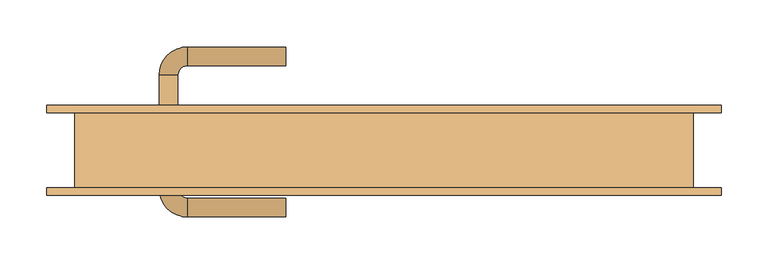
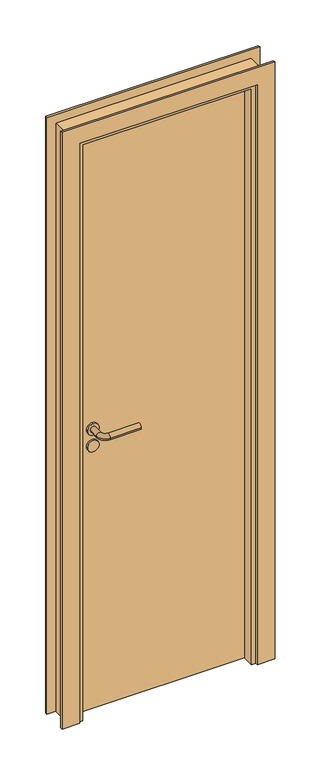
"""IFC4 building model written with IfcOpenShell, lengths in millimetres: door geometry."""

from ifc_helpers import new_model, si_unit, point, frame, frame_2d, origin, origin_with_axes, place, context, project, spatial, polyline, circle_curve, ellipse_curve, trimmed, segment, composite_curve, outline, extrude, faceted_brep, source, transform, mapped, element, save
from ifc_brep_helpers import plane_surface, cylinder_surface, revolved_surface, advanced_brep


def door_b85bc4cc(model_context):
    return source(origin(), model_context, "Body", "SolidModel", [
        advanced_brep(
        [(-250.0, 46.5831809, 1000.0), (-210.0, 46.5831809, 1000.0), (-240.0, 46.5831809, 1000.0), (-220.0, 46.5831809, 1000.0), (-250.0, 40.0, 1000.0), (-210.0, 40.0, 1000.0), (-105.0, 110.6350833, 1000.0), (-105.0, 90.6350833, 1000.0), (-240.0, 80.6350833, 1000.0), (-220.0, 80.6350833, 1000.0), (-210.0, 90.6350833, 1000.0), (-210.0, 110.6350833, 1000.0)],
        [
            (0, 1, circle_curve(frame((-230.0, 46.5831809, 1000.0), z_axis=(0.0, 1.0, 0.0), x_axis=(1.0, 0.0, 0.0)), 20.0)),
            (1, 0, circle_curve(frame((-230.0, 46.5831809, 1000.0), z_axis=(0.0, 1.0, 0.0), x_axis=(1.0, 0.0, 0.0)), 20.0)),
            (2, 3, circle_curve(frame((-230.0, 46.5831809, 1000.0), z_axis=(0.0, -1.0, 0.0), x_axis=(1.0, 0.0, 0.0)), 10.0)),
            (3, 2, circle_curve(frame((-230.0, 46.5831809, 1000.0), z_axis=(0.0, -1.0, 0.0), x_axis=(1.0, 0.0, 0.0)), 10.0)),
            (4, 5, circle_curve(frame((-230.0, 40.0, 1000.0), z_axis=(0.0, -1.0, 0.0), x_axis=(1.0, 0.0, 0.0)), 20.0)),
            (5, 4, circle_curve(frame((-230.0, 40.0, 1000.0), z_axis=(0.0, -1.0, 0.0), x_axis=(1.0, 0.0, 0.0)), 20.0)),
            (1, 5),
            (4, 0),
            (6, 7, circle_curve(frame((-105.0, 100.6350833, 1000.0), z_axis=(1.0, 0.0, 0.0), x_axis=(0.0, -1.0, 0.0)), 10.0)),
            (7, 6, circle_curve(frame((-105.0, 100.6350833, 1000.0), z_axis=(1.0, 0.0, 0.0), x_axis=(0.0, -1.0, 0.0)), 10.0)),
            (8, 2),
            (3, 9),
            (9, 8, circle_curve(frame((-230.0, 80.6350833, 1000.0), z_axis=(0.0, -1.0, 0.0), x_axis=(1.0, 0.0, 0.0)), 10.0)),
            (8, 9, circle_curve(frame((-230.0, 80.6350833, 1000.0), z_axis=(0.0, -1.0, 0.0), x_axis=(1.0, 0.0, 0.0)), 10.0)),
            (9, 10, circle_curve(frame((-210.0, 80.6350833, 1000.0), z_axis=(0.0, 0.0, -1.0), x_axis=(-1.0, 0.0, 0.0)), 10.0)),
            (10, 11, circle_curve(frame((-210.0, 100.6350833, 1000.0), z_axis=(-1.0, 0.0, 0.0), x_axis=(0.0, -1.0, 0.0)), 10.0)),
            (11, 8, circle_curve(frame((-210.0, 80.6350833, 1000.0), z_axis=(0.0, 0.0, 1.0), x_axis=(-1.0, 0.0, 0.0)), 30.0)),
            (11, 10, circle_curve(frame((-210.0, 100.6350833, 1000.0), z_axis=(-1.0, 0.0, 0.0), x_axis=(0.0, -1.0, 0.0)), 10.0)),
            (6, 11),
            (10, 7),
        ],
        [
            plane_surface(frame((-210.0, 46.5831809, 1000.0), z_axis=(0.0, 1.0, 0.0), x_axis=(0.0, 0.0, 1.0))),
            plane_surface(frame((-210.0, 40.0, 1000.0), z_axis=(0.0, -1.0, 0.0), x_axis=(0.0, 0.0, -1.0))),
            cylinder_surface(frame((-230.0, 40.0, 1000.0), z_axis=(0.0, 1.0, 0.0), x_axis=(1.0, 0.0, 0.0)), 20.0),
            plane_surface(frame((-105.0, 100.6350833, 1000.0), z_axis=(1.0, 0.0, 0.0), x_axis=(0.0, 0.0, -1.0))),
            cylinder_surface(frame((-230.0, 40.0, 1000.0), z_axis=(0.0, -1.0, 0.0), x_axis=(1.0, 0.0, 0.0)), 10.0),
            revolved_surface(trimmed(ellipse_curve(frame((-230.0, 80.6350833, 1000.0), z_axis=(0.0, 1.0, 0.0), x_axis=(1.0, 0.0, 0.0)), 10.0, 10.0), [point((-240.0, 80.6350833, 1000.0))], [point((-220.0, 80.6350833, 1000.0))], True, "CARTESIAN"), (-210.0, 80.6350833, 1000.0), (0.0, 0.0, 1.0)),
            revolved_surface(trimmed(ellipse_curve(frame((-230.0, 80.6350833, 1000.0), z_axis=(0.0, 1.0, 0.0), x_axis=(1.0, 0.0, 0.0)), 10.0, 10.0), [point((-220.0, 80.6350833, 1000.0))], [point((-240.0, 80.6350833, 1000.0))], True, "CARTESIAN"), (-210.0, 80.6350833, 1000.0), (0.0, 0.0, 1.0)),
            cylinder_surface(frame((-210.0, 100.6350833, 1000.0), z_axis=(-1.0, 0.0, 0.0), x_axis=(0.0, -1.0, 0.0)), 10.0),
        ],
        [
            (0, [[1, 2], [3, 4]]),
            (1, [[5, 6]]),
            (2, [[7, -5, 8, -2]]),
            (2, [[-8, -6, -7, -1]]),
            (3, [[9, 10]]),
            (4, [[11, -4, 12, 13]]),
            (4, [[-12, -3, -11, 14]]),
            (5, [[15, 16, 17, -13]]),
            (6, [[-17, 18, -15, -14]]),
            (7, [[19, -16, 20, -9]]),
            (7, [[-20, -18, -19, -10]]),
        ],
    ),
        extrude(outline(composite_curve([segment(trimmed(circle_curve(frame_2d((940.0, -230.0)), 20.0), [point((940.0, -250.0))], [point((940.0, -210.0))], False, "CARTESIAN"), True, "CONTINUOUS"), segment(trimmed(circle_curve(frame_2d((940.0, -230.0)), 20.0), [point((940.0, -210.0))], [point((940.0, -250.0))], False, "CARTESIAN"), True, "CONTINUOUS")], self_intersect=False)), frame((0.0, 40.0, 0.0), z_axis=(0.0, 1.0, 0.0), x_axis=(0.0, 0.0, 1.0)), (0.0, 0.0, 1.0), 6.5831809),
        advanced_brep(
        [(-250.0, -6.5831809, 1000.0), (-210.0, -6.5831809, 1000.0), (-240.0, -6.5831809, 1000.0), (-220.0, -6.5831809, 1000.0), (-250.0, 0.0, 1000.0), (-210.0, 0.0, 1000.0), (-105.0, -70.6350833, 1000.0), (-105.0, -50.6350833, 1000.0), (-240.0, -40.6350833, 1000.0), (-220.0, -40.6350833, 1000.0), (-210.0, -70.6350833, 1000.0), (-210.0, -50.6350833, 1000.0)],
        [
            (0, 1, circle_curve(frame((-230.0, -6.5831809, 1000.0), z_axis=(0.0, -1.0, 0.0), x_axis=(1.0, 0.0, 0.0)), 20.0)),
            (1, 0, circle_curve(frame((-230.0, -6.5831809, 1000.0), z_axis=(0.0, -1.0, 0.0), x_axis=(1.0, 0.0, 0.0)), 20.0)),
            (2, 3, circle_curve(frame((-230.0, -6.5831809, 1000.0), z_axis=(0.0, 1.0, 0.0), x_axis=(1.0, 0.0, 0.0)), 10.0)),
            (3, 2, circle_curve(frame((-230.0, -6.5831809, 1000.0), z_axis=(0.0, 1.0, 0.0), x_axis=(1.0, 0.0, 0.0)), 10.0)),
            (4, 5, circle_curve(frame((-230.0, 0.0, 1000.0), z_axis=(0.0, 1.0, 0.0), x_axis=(1.0, 0.0, 0.0)), 20.0)),
            (5, 4, circle_curve(frame((-230.0, 0.0, 1000.0), z_axis=(0.0, 1.0, 0.0), x_axis=(1.0, 0.0, 0.0)), 20.0)),
            (0, 4),
            (5, 1),
            (6, 7, circle_curve(frame((-105.0, -60.6350833, 1000.0), z_axis=(1.0, 0.0, 0.0), x_axis=(0.0, 1.0, 0.0)), 10.0)),
            (7, 6, circle_curve(frame((-105.0, -60.6350833, 1000.0), z_axis=(1.0, 0.0, 0.0), x_axis=(0.0, 1.0, 0.0)), 10.0)),
            (8, 9, circle_curve(frame((-230.0, -40.6350833, 1000.0), z_axis=(0.0, 1.0, 0.0), x_axis=(1.0, 0.0, 0.0)), 10.0)),
            (9, 3),
            (2, 8),
            (9, 8, circle_curve(frame((-230.0, -40.6350833, 1000.0), z_axis=(0.0, 1.0, 0.0), x_axis=(1.0, 0.0, 0.0)), 10.0)),
            (8, 10, circle_curve(frame((-210.0, -40.6350833, 1000.0), z_axis=(0.0, 0.0, 1.0), x_axis=(-1.0, 0.0, 0.0)), 30.0)),
            (10, 11, circle_curve(frame((-210.0, -60.6350833, 1000.0), z_axis=(-1.0, 0.0, 0.0), x_axis=(0.0, 1.0, 0.0)), 10.0)),
            (11, 9, circle_curve(frame((-210.0, -40.6350833, 1000.0), z_axis=(0.0, 0.0, -1.0), x_axis=(-1.0, 0.0, 0.0)), 10.0)),
            (11, 10, circle_curve(frame((-210.0, -60.6350833, 1000.0), z_axis=(-1.0, 0.0, 0.0), x_axis=(0.0, 1.0, 0.0)), 10.0)),
            (7, 11),
            (10, 6),
        ],
        [
            plane_surface(frame((-210.0, -6.5831809, 1000.0), z_axis=(0.0, -1.0, 0.0), x_axis=(0.0, 0.0, 1.0))),
            plane_surface(frame((-210.0, 0.0, 1000.0), z_axis=(0.0, 1.0, 0.0), x_axis=(0.0, 0.0, -1.0))),
            cylinder_surface(frame((-230.0, 0.0, 1000.0), z_axis=(0.0, -1.0, 0.0), x_axis=(1.0, 0.0, 0.0)), 20.0),
            plane_surface(frame((-105.0, -60.6350833, 1000.0), z_axis=(1.0, 0.0, 0.0), x_axis=(0.0, 0.0, -1.0))),
            cylinder_surface(frame((-230.0, 0.0, 1000.0), z_axis=(0.0, 1.0, 0.0), x_axis=(1.0, 0.0, 0.0)), 10.0),
            revolved_surface(trimmed(ellipse_curve(frame((-230.0, -40.6350833, 1000.0), z_axis=(0.0, 1.0, 0.0), x_axis=(1.0, 0.0, 0.0)), 10.0, 10.0), [point((-240.0, -40.6350833, 1000.0))], [point((-220.0, -40.6350833, 1000.0))], True, "CARTESIAN"), (-210.0, -40.6350833, 1000.0), (0.0, 0.0, 1.0)),
            revolved_surface(trimmed(ellipse_curve(frame((-230.0, -40.6350833, 1000.0), z_axis=(0.0, 1.0, 0.0), x_axis=(1.0, 0.0, 0.0)), 10.0, 10.0), [point((-220.0, -40.6350833, 1000.0))], [point((-240.0, -40.6350833, 1000.0))], True, "CARTESIAN"), (-210.0, -40.6350833, 1000.0), (0.0, 0.0, 1.0)),
            cylinder_surface(frame((-210.0, -60.6350833, 1000.0), z_axis=(-1.0, 0.0, 0.0), x_axis=(0.0, 1.0, 0.0)), 10.0),
        ],
        [
            (0, [[1, 2], [3, 4]]),
            (1, [[5, 6]]),
            (2, [[-1, 7, -6, 8]]),
            (2, [[-2, -8, -5, -7]]),
            (3, [[9, 10]]),
            (4, [[11, 12, -3, 13]]),
            (4, [[14, -13, -4, -12]]),
            (5, [[-11, 15, 16, 17]]),
            (6, [[-14, -17, 18, -15]]),
            (7, [[-10, 19, -16, 20]]),
            (7, [[-9, -20, -18, -19]]),
        ],
    ),
        extrude(outline(composite_curve([segment(trimmed(circle_curve(frame_2d((940.0, -230.0)), 20.0), [point((940.0, -250.0))], [point((940.0, -210.0))], False, "CARTESIAN"), True, "CONTINUOUS"), segment(trimmed(circle_curve(frame_2d((940.0, -230.0)), 20.0), [point((940.0, -210.0))], [point((940.0, -250.0))], False, "CARTESIAN"), True, "CONTINUOUS")], self_intersect=False)), frame((0.0, -6.5831809, 0.0), z_axis=(0.0, 1.0, 0.0), x_axis=(0.0, 0.0, 1.0)), (0.0, 0.0, 1.0), 6.5831809),
        extrude(outline(polyline([(-300.0, 20.0), (300.0, 20.0), (300.0, 0.0), (-300.0, 0.0), (-300.0, 20.0)])), origin_with_axes(), (0.0, 0.0, 1.0), 2070.0),
        extrude(outline(polyline([(300.0, 20.0), (-300.0, 20.0), (-300.0, 40.0), (300.0, 40.0), (300.0, 20.0)])), origin_with_axes(), (0.0, 0.0, 1.0), 2070.0),
        extrude(outline(polyline([(0.0, -300.0), (2070.0, -300.0), (2070.0, 300.0), (0.0, 300.0), (0.0, 360.0), (2130.0, 360.0), (2130.0, -360.0), (0.0, -360.0), (0.0, -300.0)])), frame((0.0, 40.0, 0.0), z_axis=(0.0, 1.0, 0.0), x_axis=(0.0, 0.0, 1.0)), (0.0, 0.0, 1.0), 8.0),
        extrude(outline(polyline([(0.0, -360.0), (0.0, -300.0), (2070.0, -300.0), (2070.0, 300.0), (0.0, 300.0), (0.0, 360.0), (2130.0, 360.0), (2130.0, -360.0), (0.0, -360.0)])), frame((0.0, -48.0, 0.0), z_axis=(0.0, 1.0, 0.0), x_axis=(0.0, 0.0, 1.0)), (0.0, 0.0, 1.0), 8.0),
        faceted_brep([(-300.0, 0.0, 0.0), (-285.0, 0.0, 0.0), (-285.0, -40.0, 0.0), (-330.0, -40.0, 0.0), (-330.0, 40.0, 0.0), (-300.0, 40.0, 0.0), (-300.0, 0.0, 2070.0), (300.0, 0.0, 2070.0), (300.0, 0.0, 0.0), (285.0, 0.0, 0.0), (285.0, 0.0, 2055.0), (-285.0, 0.0, 2055.0), (-285.0, -40.0, 2055.0), (285.0, -40.0, 2055.0), (285.0, -40.0, 0.0), (330.0, -40.0, 0.0), (330.0, -40.0, 2100.0), (-330.0, -40.0, 2100.0), (-330.0, 40.0, 2100.0), (330.0, 40.0, 2100.0), (330.0, 40.0, 0.0), (300.0, 40.0, 0.0), (300.0, 40.0, 2070.0), (-300.0, 40.0, 2070.0)], [[[0, 1, 2, 3, 4, 5]], [[1, 0, 6, 7, 8, 9, 10, 11]], [[2, 1, 11, 12]], [[3, 2, 12, 13, 14, 15, 16, 17]], [[4, 3, 17, 18]], [[5, 4, 18, 19, 20, 21, 22, 23]], [[0, 5, 23, 6]], [[12, 11, 10, 13]], [[18, 17, 16, 19]], [[6, 23, 22, 7]], [[8, 21, 20, 15, 14, 9]], [[13, 10, 9, 14]], [[19, 16, 15, 20]], [[7, 22, 21, 8]]]),
    ])


if __name__ == "__main__":
    model = new_model("IFC4")
    model_context = context("Model", 3, world=origin())
    ifc_project = project(units=[si_unit("LENGTHUNIT", "METRE", prefix="MILLI")], contexts=[model_context])
    site = spatial("IfcSite", under=ifc_project)
    building = spatial("IfcBuilding", under=site)
    placement = place(None, origin())
    door_shape = door_b85bc4cc(model_context)
    element("IfcDoor", 1, at=placement, inside=building, context=model_context, shape_type="MappedRepresentation", body=[
        mapped(door_shape, transform((0.0, 0.0, 0.0), x_axis=(1.0, 0.0, 0.0), y_axis=(0.0, 1.0, 0.0), z_axis=(0.0, 0.0, 1.0))),
    ])
    save(model, "model.ifc")
